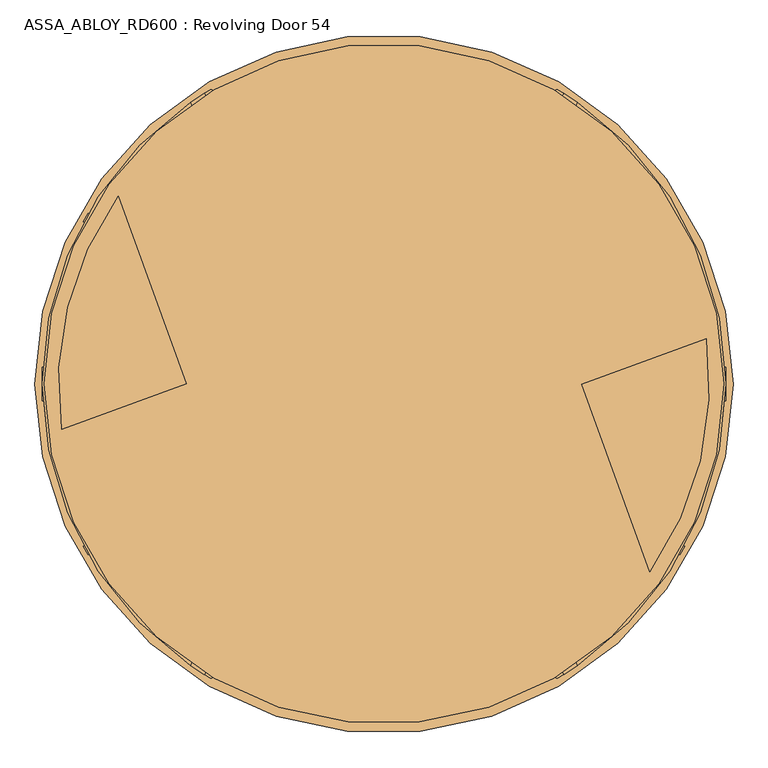
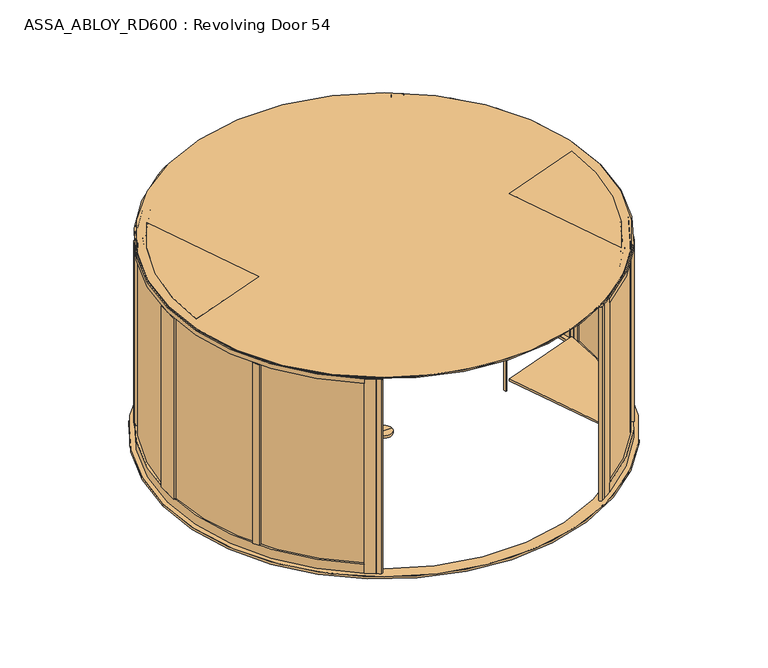
"""IFC4 building model written with IfcOpenShell, lengths in millimetres: door geometry, ASSA_ABLOY_RD600 : Revolving Door 54."""

from ifc_helpers import new_model, si_unit, point, frame, frame_2d, origin, origin_with_axes, origin_2d, place, context, project, spatial, polyline, circle_curve, trimmed, segment, composite_curve, outline, extrude, source, transform, mapped, element, save
from ifc_brep_helpers import plane_surface, cylinder_surface, advanced_brep


def assa_abloy_rd600_revolving_door_54_4517b426(model_context):
    return source(origin(), model_context, "Body", "SolidModel", [
        extrude(outline(polyline([(-1608.7343153, 67.1190524), (-1571.1466104, 80.7998581), (-1547.2052004, 15.0213746), (-1584.7929052, 1.3405689), (-1608.7343153, 67.1190524)])), frame((0.0, 0.0, 148.0), z_axis=(0.0, 0.0, 1.0), x_axis=(1.0, 0.0, 0.0)), (0.0, 0.0, 1.0), 2372.0),
        extrude(outline(polyline([(-2060.4772633, 1375.5201028), (-1587.121385, 74.9855157), (-1592.7595407, 72.9333948), (-2066.1154191, 1373.467982), (-2060.4772633, 1375.5201028)])), frame((0.0, 0.0, 148.0), z_axis=(0.0, 0.0, 1.0), x_axis=(1.0, 0.0, 0.0)), (0.0, 0.0, 1.0), 2372.0),
        extrude(outline(polyline([(-2084.4186734, 1441.2985863), (-1563.1799749, 9.2070322), (-1568.8181307, 7.1549113), (-2090.0568291, 1439.2464654), (-2084.4186734, 1441.2985863)])), frame((0.0, 0.0, -1.0), z_axis=(0.0, 0.0, 1.0), x_axis=(1.0, 0.0, 0.0)), (0.0, 0.0, 1.0), 29.0),
        extrude(outline(polyline([(-21.1919362, 1e-07), (0.0, 0.0), (1.2354289, -3.3526834), (-14.8894584, -17.1035441), (-15.8652682, -14.4554101), (-11.2716326, -10.6269535), (-14.2348715, -2.5853723), (-20.214336, -2.6529929), (-21.1919362, 1e-07)]), holes=[polyline([(-11.7626281, -2.5849674), (-9.3848751, -9.0376682), (-1.6611384, -2.5160752), (-11.7626281, -2.5849674)])]), frame((-2069.8674584, 1328.2243416, 122.8848654), z_axis=(0.9396926207859982, 0.34202014332542185, 0.0), x_axis=(-0.11825756092403869, 0.3249099783188412, 0.9383222555567716)), (0.0, 0.0, 1.0), 2.0),
        extrude(outline(polyline([(-3.5121291, 0.0), (0.0, 0.0), (2.8187321, -2.6852579), (4.250422, -5.1162244), (5.5118808, -7.3434952), (7.3063201, -9.1972245), (9.3614355, -9.1814982), (11.0208469, -7.16163), (10.6514742, -3.4882218), (8.71119, 0.0484616), (6.0403681, 2.6484111), (9.0699595, 3.711135), (11.0920113, 1.0208017), (12.7977466, -2.5981571), (13.1300796, -8.3561655), (9.9996043, -11.7673438), (6.2388815, -11.6844271), (3.0893834, -8.4786223), (1.8238571, -6.2006452), (0.6628891, -4.2207407), (-0.9295188, -2.6144293), (-2.9863484, -2.6252692), (-4.8029446, -4.7524081), (-4.3562345, -8.76362), (-2.4447823, -12.1320668), (0.6567352, -15.0446471), (-2.5145629, -16.157079), (-4.8247981, -13.2083905), (-6.5093631, -9.6341389), (-7.2092232, -6.1919011), (-6.787432, -3.3659463), (-5.4926863, -1.2764386), (-3.5121291, 0.0)])), frame((-2061.751392, 1305.9256325, 111.999973), z_axis=(0.9396926207859984, 0.34202014332542185, 0.0), x_axis=(-0.11321109633786393, 0.3110449308202373, 0.9436282629706535)), (0.0, 0.0, 1.0), 2.0),
        extrude(outline(polyline([(-3.5121291, 0.0), (0.0, 0.0), (2.8187321, -2.6852579), (4.250422, -5.1162244), (5.5118808, -7.3434952), (7.3063201, -9.1972245), (9.3614355, -9.1814982), (11.0208469, -7.16163), (10.6514742, -3.4882218), (8.71119, 0.0484616), (6.0403681, 2.648411), (9.0699596, 3.7111349), (11.0920114, 1.0208016), (12.7977466, -2.5981572), (13.1300797, -8.3561656), (9.9996043, -11.7673438), (6.2388815, -11.6844271), (3.0893834, -8.4786223), (1.8238571, -6.2006453), (0.6628891, -4.2207408), (-0.9295188, -2.6144293), (-2.9863484, -2.6252693), (-4.8029446, -4.7524081), (-4.3562345, -8.76362), (-2.4447823, -12.1320668), (0.6567352, -15.0446471), (-2.5145629, -16.157079), (-4.824798, -13.2083906), (-6.5093631, -9.6341389), (-7.2092232, -6.1919012), (-6.787432, -3.3659463), (-5.4926863, -1.2764387), (-3.5121291, 0.0)])), frame((-2055.2904187, 1288.1742542, 111.999973), z_axis=(0.9396926207859984, 0.34202014332542185, 0.0), x_axis=(-0.11321109633786393, 0.3110449308202373, 0.9436282629706535)), (0.0, 0.0, 1.0), 2.0),
        extrude(outline(polyline([(-21.1919362, 0.0), (0.0, 0.0), (1.2354289, -3.3526834), (-14.8894584, -17.1035441), (-15.8652682, -14.4554102), (-11.2716326, -10.6269535), (-14.2348715, -2.5853724), (-20.214336, -2.6529929), (-21.1919362, 0.0)]), holes=[polyline([(-11.7626281, -2.5849674), (-9.3848751, -9.0376682), (-1.6611384, -2.5160753), (-11.7626281, -2.5849674)])]), frame((-2050.4845384, 1274.9702068, 122.8848654), z_axis=(0.9396926207859982, 0.34202014332542185, 0.0), x_axis=(-0.11825756092403869, 0.3249099783188412, 0.9383222555567716)), (0.0, 0.0, 1.0), 2.0),
        extrude(outline(polyline([(-21.1919362, 1e-07), (0.0, 0.0), (1.2354289, -3.3526833), (-14.8894584, -17.1035441), (-15.8652682, -14.4554101), (-11.2716326, -10.6269535), (-14.2348715, -2.5853723), (-20.214336, -2.6529929), (-21.1919362, 1e-07)]), holes=[polyline([(-11.7626281, -2.5849674), (-9.3848751, -9.0376681), (-1.6611384, -2.5160752), (-11.7626281, -2.5849674)])]), frame((-2040.7364033, 1248.1874256, 122.8848654), z_axis=(0.9396926207859982, 0.34202014332542185, 0.0), x_axis=(-0.11825756092403869, 0.3249099783188412, 0.9383222555567716)), (0.0, 0.0, 1.0), 2.0),
        extrude(outline(polyline([(-3.6247797, 0.0), (0.0, 0.0), (2.8147562, -2.4211002), (3.7068839, -0.0321766), (5.7320771, 1.441087), (7.9241126, 1.6554025), (9.8352433, 0.5920774), (11.1479956, -1.1951534), (12.3716711, -4.2930707), (14.3144162, -9.9880647), (-4.5055294, -16.4081518), (-6.8194358, -9.6251298), (-7.5842828, -6.2202287), (-7.2049821, -3.4426962), (-5.9232413, -1.3859292), (-3.6247797, 0.0)]), holes=[polyline([(5.2214253, -2.9241786), (4.7734732, -6.6552624), (5.9304264, -10.0467735), (11.2627443, -8.2277488), (10.1960736, -5.1008932), (9.3653605, -2.9303687), (5.2214253, -2.9241786)]), polyline([(-2.8765907, -2.5461078), (-4.3679308, -3.4351117), (-5.1102534, -4.883835), (-5.1175974, -6.8751817), (-4.3362091, -9.7190964), (-3.1658807, -13.1498156), (3.734766, -10.7957836), (2.347091, -6.7279308), (1.5099769, -4.5787396), (0.5832315, -3.1932876), (-0.9746905, -2.291247), (-2.8765907, -2.5461078)])]), frame((-2032.3962927, 1225.2731602, 112.561824), z_axis=(0.9396926207859982, 0.34202014332542185, 0.0), x_axis=(-0.11042564634809944, 0.303391969870333, 0.9464457138403678)), (0.0, 0.0, 1.0), 2.0),
        extrude(outline(polyline([(-2.319901, 0.0), (0.0, 0.0), (0.0, -9.9424326), (17.5649644, -9.9424326), (17.5649644, -12.5937481), (-2.319901, -12.5937481), (-2.319901, 0.0)])), frame((-2026.4418541, 1208.9134744, 105.319901), z_axis=(0.9396926207859982, 0.34202014332542185, 0.0), x_axis=(0.0, 0.0, 1.0)), (0.0, 0.0, 1.0), 2.0),
        extrude(outline(polyline([(-3.4755123, 0.0), (0.0, 0.0), (3.5095377, -1.5864764), (6.1998493, -4.2905332), (7.4345588, -7.5668217), (7.0812776, -11.3109182), (5.1361655, -15.2239686), (2.1257686, -18.4422905), (-1.2097864, -20.048671), (-4.7147757, -20.0502836), (-8.2007386, -18.4707048), (-10.9175762, -15.7640054), (-12.1283676, -12.475947), (-11.7934802, -8.7947164), (-9.841779, -4.8358203), (-6.8343334, -1.6217536), (-3.4755123, 0.0)]), holes=[polyline([(-7.6631689, -6.3468237), (-9.5892893, -12.1951337), (-6.8871209, -16.5585186), (-1.8513938, -17.5618518), (2.9575554, -13.7129653), (4.8960977, -7.8921765), (2.1788995, -3.4868579), (-2.8864763, -2.494471), (-7.6631689, -6.3468237)])]), frame((-2021.4641771, 1195.2374194, 122.5197917), z_axis=(0.9396926207859984, 0.3420201433254219, 0.0), x_axis=(-0.2810410816453032, 0.7721540257602048, 0.569907072188043)), (0.0, 0.0, 1.0), 2.0),
        extrude(outline(polyline([(-3.1691505, 0.0), (0.0, 0.0), (5.4320895, -8.8964059), (10.9211409, 0.0), (14.0643996, 0.0), (6.7732823, -11.4441543), (6.7732823, -19.8848654), (4.1219669, -19.8848654), (4.1219669, -11.1645234), (-3.1691505, 0.0)])), frame((-2014.2637695, 1175.4544621, 122.8848654), z_axis=(0.9396926207859982, 0.34202014332542185, 0.0), x_axis=(-0.34202014332542185, 0.9396926207859982, 0.0)), (0.0, 0.0, 1.0), 2.0),
        extrude(outline(polyline([(21.1919362, 1e-07), (20.214336, -2.6529929), (14.2348715, -2.5853724), (11.2716326, -10.6269535), (15.8652682, -14.4554101), (14.8894584, -17.1035441), (-1.2354289, -3.3526833), (0.0, 0.0), (21.1919362, 1e-07)]), holes=[polyline([(11.7626281, -2.5849674), (1.6611384, -2.5160753), (9.3848751, -9.0376682), (11.7626281, -2.5849674)])]), frame((-1977.6676328, 1197.7071875, 122.8848654), z_axis=(0.9396926207859961, 0.342020143325428, 0.0), x_axis=(-0.11825756092404077, 0.32490997831884044, -0.9383222555567716)), (0.0, 0.0, 1.0), 2.0),
        extrude(outline(polyline([(3.5121291, 0.0), (5.4926863, -1.2764387), (6.787432, -3.3659463), (7.2092232, -6.1919011), (6.5093631, -9.6341389), (4.8247981, -13.2083906), (2.5145629, -16.157079), (-0.6567352, -15.0446471), (2.4447822, -12.1320668), (4.3562345, -8.7636201), (4.8029446, -4.7524081), (2.9863484, -2.6252692), (0.9295188, -2.6144293), (-0.6628891, -4.2207408), (-1.8238571, -6.2006452), (-3.0893834, -8.4786223), (-6.2388815, -11.6844271), (-9.9996043, -11.7673438), (-13.1300796, -8.3561655), (-12.7977466, -2.5981571), (-11.0920113, 1.0208017), (-9.0699595, 3.711135), (-6.0403681, 2.6484111), (-8.71119, 0.0484617), (-10.6514742, -3.4882217), (-11.0208469, -7.16163), (-9.3614355, -9.1814982), (-7.3063201, -9.1972245), (-5.5118808, -7.3434952), (-4.250422, -5.1162245), (-2.818732, -2.6852578), (0.0, 0.0), (3.5121291, 0.0)])), frame((-1985.7836992, 1220.0058966, 111.999973), z_axis=(0.939692620785996, 0.34202014332542796, 0.0), x_axis=(-0.11321109633786593, 0.31104493082023654, -0.9436282629706535)), (0.0, 0.0, 1.0), 2.0),
        extrude(outline(polyline([(3.5121291, -1e-07), (5.4926863, -1.2764388), (6.787432, -3.3659463), (7.2092232, -6.1919012), (6.5093631, -9.6341389), (4.8247981, -13.2083906), (2.5145629, -16.157079), (-0.6567352, -15.0446471), (2.4447822, -12.1320668), (4.3562345, -8.7636201), (4.8029446, -4.7524081), (2.9863484, -2.6252693), (0.9295188, -2.6144293), (-0.6628891, -4.2207409), (-1.8238571, -6.2006452), (-3.0893834, -8.4786223), (-6.2388815, -11.6844271), (-9.9996043, -11.7673438), (-13.1300796, -8.3561655), (-12.7977466, -2.5981571), (-11.0920113, 1.0208017), (-9.0699595, 3.711135), (-6.0403681, 2.6484111), (-8.71119, 0.0484616), (-10.6514742, -3.4882218), (-11.0208469, -7.16163), (-9.3614355, -9.1814982), (-7.3063201, -9.1972245), (-5.5118808, -7.3434952), (-4.250422, -5.1162245), (-2.8187321, -2.6852579), (0.0, 0.0), (3.5121291, -1e-07)])), frame((-1992.2446725, 1237.7572749, 111.999973), z_axis=(0.939692620785996, 0.34202014332542796, 0.0), x_axis=(-0.11321109633786593, 0.31104493082023654, -0.9436282629706535)), (0.0, 0.0, 1.0), 2.0),
        extrude(outline(polyline([(21.1919362, 1e-07), (20.214336, -2.6529929), (14.2348715, -2.5853724), (11.2716326, -10.6269535), (15.8652682, -14.4554101), (14.8894584, -17.1035441), (-1.2354289, -3.3526834), (0.0, 0.0), (21.1919362, 1e-07)]), holes=[polyline([(11.7626281, -2.5849674), (1.6611384, -2.5160753), (9.3848751, -9.0376682), (11.7626281, -2.5849674)])]), frame((-1997.0505527, 1250.9613223, 122.8848654), z_axis=(0.9396926207859961, 0.342020143325428, 0.0), x_axis=(-0.11825756092404077, 0.32490997831884044, -0.9383222555567716)), (0.0, 0.0, 1.0), 2.0),
        extrude(outline(polyline([(21.1919362, 1e-07), (20.214336, -2.6529929), (14.2348715, -2.5853723), (11.2716326, -10.6269535), (15.8652682, -14.4554101), (14.8894584, -17.1035441), (-1.2354289, -3.3526833), (0.0, 0.0), (21.1919362, 1e-07)]), holes=[polyline([(11.7626281, -2.5849674), (1.6611385, -2.5160751), (9.3848751, -9.0376681), (11.7626281, -2.5849674)])]), frame((-2006.7986878, 1277.7441035, 122.8848654), z_axis=(0.9396926207859961, 0.342020143325428, 0.0), x_axis=(-0.11825756092404077, 0.32490997831884044, -0.9383222555567716)), (0.0, 0.0, 1.0), 2.0),
        extrude(outline(polyline([(3.6247797, -1e-07), (5.9232413, -1.3859293), (7.2049821, -3.4426963), (7.5842828, -6.2202288), (6.8194358, -9.6251298), (4.5055294, -16.4081519), (-14.3144162, -9.9880648), (-12.3716711, -4.2930708), (-11.1479956, -1.1951535), (-9.8352433, 0.5920773), (-7.9241126, 1.6554024), (-5.7320772, 1.4410869), (-3.7068839, -0.0321767), (-2.8147562, -2.4211003), (0.0, 0.0), (3.6247797, -1e-07)]), holes=[polyline([(-5.2214253, -2.9241787), (-9.3653605, -2.9303688), (-10.1960736, -5.1008933), (-11.2627443, -8.2277489), (-5.9304264, -10.0467736), (-4.7734732, -6.6552625), (-5.2214253, -2.9241787)]), polyline([(2.8765907, -2.5461079), (0.9746905, -2.2912471), (-0.5832316, -3.1932877), (-1.5099769, -4.5787397), (-2.347091, -6.7279309), (-3.7347661, -10.7957837), (3.1658807, -13.1498157), (4.3362091, -9.7190964), (5.1175974, -6.8751818), (5.1102534, -4.8838351), (4.3679308, -3.4351117), (2.8765907, -2.5461079)])]), frame((-2015.1387984, 1300.658369, 112.561824), z_axis=(0.939692620785996, 0.3420201433254279, 0.0), x_axis=(-0.1104256463481014, 0.3033919698703323, -0.9464457138403678)), (0.0, 0.0, 1.0), 2.0),
        extrude(outline(polyline([(2.319901, 0.0), (2.319901, -12.5937481), (-17.5649644, -12.5937481), (-17.5649644, -9.9424327), (0.0, -9.9424327), (0.0, 0.0), (2.319901, 0.0)])), frame((-2021.0932371, 1317.0180547, 105.319901), z_axis=(0.939692620785996, 0.3420201433254279, 0.0), x_axis=(0.0, 0.0, -1.0)), (0.0, 0.0, 1.0), 2.0),
        extrude(outline(polyline([(3.4755123, 0.0), (6.8343334, -1.6217536), (9.8417791, -4.8358203), (11.7934802, -8.7947163), (12.1283676, -12.475947), (10.9175762, -15.7640054), (8.2007387, -18.4707048), (4.7147758, -20.0502835), (1.2097864, -20.048671), (-2.1257686, -18.4422905), (-5.1361655, -15.2239686), (-7.0812776, -11.3109182), (-7.4345587, -7.5668217), (-6.1998493, -4.2905332), (-3.5095376, -1.5864763), (0.0, 0.0), (3.4755123, 0.0)]), holes=[polyline([(7.663169, -6.3468237), (2.8864763, -2.494471), (-2.1788995, -3.4868579), (-4.8960977, -7.8921765), (-2.9575554, -13.7129652), (1.8513939, -17.5618518), (6.8871209, -16.5585186), (9.5892894, -12.1951337), (7.663169, -6.3468237)])]), frame((-2026.070914, 1330.6941097, 122.5197917), z_axis=(0.9396926207859961, 0.3420201433254279, 0.0), x_axis=(-0.2810410816453074, 0.7721540257602008, -0.5699070721880464)), (0.0, 0.0, 1.0), 2.0),
        extrude(outline(polyline([(3.1691505, 0.0), (-4.1219668, -11.1645234), (-4.1219668, -19.8848654), (-6.7732822, -19.8848654), (-6.7732822, -11.4441543), (-14.0643996, 0.0), (-10.9211409, 0.0), (-5.4320895, -8.8964059), (0.0, 0.0), (3.1691505, 0.0)])), frame((-2033.2713216, 1350.477067, 122.8848654), z_axis=(0.939692620785996, 0.3420201433254279, 0.0), x_axis=(-0.3420201433254279, 0.939692620785996, 0.0)), (0.0, 0.0, 1.0), 2.0),
        extrude(outline(polyline([(16.3017206, 0.0), (78.5957564, 16.6009104), (88.5222618, -2.8076911), (20.0, -58.7981528), (20.0, 0.0), (16.3017206, 0.0)])), frame((-1565.9990528, 8.1809718, 28.0), z_axis=(-0.34202014332543407, 0.9396926207859938, 0.0), x_axis=(0.9396926207859938, 0.34202014332543407, 0.0)), (0.0, 0.0, 1.0), 1524.0),
        extrude(outline(composite_curve([segment(trimmed(circle_curve(origin_2d(), 2610.0), [point((2584.6908268, 362.5925119))], [point((2132.1947569, -1505.2725729))], False, "CARTESIAN"), True, "CONTINUOUS"), segment(polyline([(2132.1947569, -1505.2725729), (1584.8064754, -1.3356298), (2584.6908268, 362.5925119)]), True, "CONTINUOUS")], self_intersect=False)), frame((0.0, 0.0, 2600.0), z_axis=(0.0, 0.0, 1.0), x_axis=(1.0, 0.0, 0.0)), (0.0, 0.0, 1.0), 18.0),
        extrude(outline(composite_curve([segment(polyline([(-2132.1846168, 1505.2869361), (-1584.7929052, 1.3405689), (-2584.6908268, -362.5925119)]), True, "CONTINUOUS"), segment(trimmed(circle_curve(origin_2d(), 2610.0), [point((-2584.6908268, -362.5925119))], [point((-2132.1846168, 1505.2869361))], False, "CARTESIAN"), True, "CONTINUOUS")], self_intersect=False)), frame((0.0, 0.0, 2600.0), z_axis=(0.0, 0.0, 1.0), x_axis=(1.0, 0.0, 0.0)), (0.0, 0.0, 1.0), 18.0),
        extrude(outline(composite_curve([segment(polyline([(-1584.7929052, 1.3405689), (-2584.6908268, -362.5925119)]), True, "CONTINUOUS"), segment(trimmed(circle_curve(origin_2d(), 2610.0), [point((-2584.6908268, -362.5925119))], [point((-2132.1846168, 1505.2869361))], False, "CARTESIAN"), True, "CONTINUOUS"), segment(polyline([(-2132.1846168, 1505.2869361), (-1584.7929052, 1.3405689)]), True, "CONTINUOUS")], self_intersect=False)), frame((0.0, 0.0, 112.0), z_axis=(0.0, 0.0, 1.0), x_axis=(1.0, 0.0, 0.0)), (0.0, 0.0, 1.0), 22.0),
        extrude(outline(composite_curve([segment(polyline([(1584.8064754, -1.3356298), (2584.6908268, 362.5925119)]), True, "CONTINUOUS"), segment(trimmed(circle_curve(origin_2d(), 2610.0), [point((2584.6908268, 362.5925119))], [point((2132.1947569, -1505.2725729))], False, "CARTESIAN"), True, "CONTINUOUS"), segment(polyline([(2132.1947569, -1505.2725729), (1584.8064754, -1.3356298)]), True, "CONTINUOUS")], self_intersect=False)), frame((0.0, 0.0, 112.0), z_axis=(0.0, 0.0, 1.0), x_axis=(1.0, 0.0, 0.0)), (0.0, 0.0, 1.0), 22.0),
        extrude(outline(composite_curve([segment(polyline([(2560.824541, 504.2595269), (2600.7059306, 508.7520641)]), True, "CONTINUOUS"), segment(trimmed(circle_curve(origin_2d(), 2650.0), [point((2600.7059306, 508.7520641))], [point((1574.2476548, -2131.7233219))], False, "CARTESIAN"), True, "CONTINUOUS"), segment(polyline([(1574.2476548, -2131.7233219), (1550.8496939, -2099.2773106)]), True, "CONTINUOUS"), segment(trimmed(circle_curve(origin_2d(), 2610.0), [point((1550.8496939, -2099.2773106))], [point((2560.824541, 504.2595269))], True, "CARTESIAN"), True, "CONTINUOUS")], self_intersect=False)), frame((0.0, 0.0, 2520.0), z_axis=(0.0, 0.0, 1.0), x_axis=(1.0, 0.0, 0.0)), (0.0, 0.0, 1.0), 80.0),
        extrude(outline(composite_curve([segment(polyline([(-2596.5399502, -264.7268159), (-2636.2869897, -269.2413566)]), True, "CONTINUOUS"), segment(trimmed(circle_curve(origin_2d(), 2650.0), [point((-2636.2869897, -269.2413566))], [point((-1574.4937162, 2131.5415871))], False, "CARTESIAN"), True, "CONTINUOUS"), segment(polyline([(-1574.4937162, 2131.5415871), (-1551.0934365, 2099.0972229)]), True, "CONTINUOUS"), segment(trimmed(circle_curve(origin_2d(), 2610.0), [point((-1551.0934365, 2099.0972229))], [point((-2596.5399502, -264.7268159))], True, "CARTESIAN"), True, "CONTINUOUS")], self_intersect=False)), frame((0.0, 0.0, 2520.0), z_axis=(0.0, 0.0, 1.0), x_axis=(1.0, 0.0, 0.0)), (0.0, 0.0, 1.0), 80.0),
        extrude(outline(composite_curve([segment(polyline([(2596.5707723, 264.4243268), (2636.3183374, 268.934237)]), True, "CONTINUOUS"), segment(trimmed(circle_curve(origin_2d(), 2650.0), [point((2636.3183374, 268.934237))], [point((1574.2476548, -2131.7233219))], False, "CARTESIAN"), True, "CONTINUOUS"), segment(polyline([(1574.2476548, -2131.7233219), (1550.8496939, -2099.2773106)]), True, "CONTINUOUS"), segment(trimmed(circle_curve(origin_2d(), 2610.0), [point((1550.8496939, -2099.2773106))], [point((2596.5707723, 264.4243268))], True, "CARTESIAN"), True, "CONTINUOUS")], self_intersect=False)), origin_with_axes(), (0.0, 0.0, 1.0), 120.0),
        extrude(outline(composite_curve([segment(polyline([(-2596.5399502, -264.7268159), (-2636.2869897, -269.2413566)]), True, "CONTINUOUS"), segment(trimmed(circle_curve(origin_2d(), 2650.0), [point((-2636.2869897, -269.2413566))], [point((-1574.4937162, 2131.5415871))], False, "CARTESIAN"), True, "CONTINUOUS"), segment(polyline([(-1574.4937162, 2131.5415871), (-1551.0934365, 2099.0972229)]), True, "CONTINUOUS"), segment(trimmed(circle_curve(origin_2d(), 2610.0), [point((-1551.0934365, 2099.0972229))], [point((-2596.5399502, -264.7268159))], True, "CARTESIAN"), True, "CONTINUOUS")], self_intersect=False)), origin_with_axes(), (0.0, 0.0, 1.0), 120.0),
        extrude(outline(composite_curve([segment(trimmed(circle_curve(origin_2d(), 2636.0), [point((1566.0583738, -2120.3672253))], [point((2160.687906, -1509.9416456))], True, "CARTESIAN"), True, "CONTINUOUS"), segment(polyline([(2160.687906, -1509.9416456), (2168.9716776, -1515.5454007)]), True, "CONTINUOUS"), segment(trimmed(circle_curve(origin_2d(), 2646.0), [point((2168.9716776, -1515.5454007))], [point((1571.9078608, -2128.4787237))], False, "CARTESIAN"), True, "CONTINUOUS"), segment(polyline([(1571.9078608, -2128.4787237), (1566.0583738, -2120.3672253)]), True, "CONTINUOUS")], self_intersect=False)), frame((0.0, 0.0, 120.0), z_axis=(0.0, 0.0, 1.0), x_axis=(1.0, 0.0, 0.0)), (0.0, 0.0, 1.0), 2400.0),
        extrude(outline(polyline([(-2629.6843511, -328.8772015), (-2589.732036, -324.3393453), (-2580.5821439, -372.562781), (-2597.0561557, -431.0917775), (-2618.0746345, -431.0917775), (-2629.6843511, -328.8772015)])), origin_with_axes(), (0.0, 0.0, 1.0), 2600.0),
        extrude(outline(polyline([(2629.7226462, 328.5708508), (2589.7698028, 324.0376488), (2580.6173958, 372.3338276), (2597.1068348, 430.7850307), (2618.1250356, 430.7850307), (2629.7226462, 328.5708508)])), origin_with_axes(), (0.0, 0.0, 1.0), 2600.0),
        extrude(outline(polyline([(-2056.6136555, 1451.4187851), (-2094.2017417, 1437.7378406), (-2123.6939442, 1518.767001), (-2096.0174641, 1559.6798595), (-2056.6136555, 1451.4187851)])), origin_with_axes(), (0.0, 0.0, 1.0), 2600.0),
        extrude(outline(polyline([(-1526.0, 22.7394364), (-1526.0, -19.8276745), (-1528.7977529, -20.8459733), (-1542.4785586, 16.7417316), (-1526.0, 22.7394364)])), origin_with_axes(), (0.0, 0.0, 1.0), 2600.0),
        extrude(outline(polyline([(1526.0, -22.7394364), (1526.0, 19.8276745), (1528.7977529, 20.8459733), (1542.4785586, -16.7417316), (1526.0, -22.7394364)])), origin_with_axes(), (0.0, 0.0, 1.0), 2600.0),
        extrude(outline(polyline([(-2589.9398977, -324.3629546), (-2629.6843511, -328.8772015), (-2636.4557215, -269.2605215), (-2596.7112681, -264.7462745), (-2589.9398977, -324.3629546)])), origin_with_axes(), (0.0, 0.0, 1.0), 2600.0),
        extrude(outline(composite_curve([segment(trimmed(circle_curve(origin_2d(), 2636.0), [point((2205.5128048, -1443.6790736))], [point((2551.8445948, -660.745915))], True, "CARTESIAN"), True, "CONTINUOUS"), segment(polyline([(2551.8445948, -660.745915), (2561.5633775, -663.1056199)]), True, "CONTINUOUS"), segment(trimmed(circle_curve(origin_2d(), 2646.0), [point((2561.5633775, -663.1056199))], [point((2213.7965765, -1449.2828288))], False, "CARTESIAN"), True, "CONTINUOUS"), segment(polyline([(2213.7965765, -1449.2828288), (2205.5128048, -1443.6790736)]), True, "CONTINUOUS")], self_intersect=False)), frame((0.0, 0.0, 120.0), z_axis=(0.0, 0.0, 1.0), x_axis=(1.0, 0.0, 0.0)), (0.0, 0.0, 1.0), 2400.0),
        extrude(outline(composite_curve([segment(polyline([(-2213.7965765, 1449.2828288), (-2205.5128048, 1443.6790736)]), True, "CONTINUOUS"), segment(trimmed(circle_curve(origin_2d(), 2636.0), [point((-2205.5128048, 1443.6790736))], [point((-2551.8445948, 660.745915))], True, "CARTESIAN"), True, "CONTINUOUS"), segment(polyline([(-2551.8445948, 660.745915), (-2561.5633775, 663.1056199)]), True, "CONTINUOUS"), segment(trimmed(circle_curve(origin_2d(), 2646.0), [point((-2561.5633775, 663.1056199))], [point((-2213.7965765, 1449.2828288))], False, "CARTESIAN"), True, "CONTINUOUS")], self_intersect=False)), frame((0.0, 0.0, 120.0), z_axis=(0.0, 0.0, 1.0), x_axis=(1.0, 0.0, 0.0)), (0.0, 0.0, 1.0), 2400.0),
        extrude(outline(composite_curve([segment(trimmed(circle_curve(origin_2d(), 2636.0), [point((-1566.5907961, 2119.973886))], [point((-2160.687906, 1509.9416456))], True, "CARTESIAN"), True, "CONTINUOUS"), segment(polyline([(-2160.687906, 1509.9416456), (-2168.9716776, 1515.5454007)]), True, "CONTINUOUS"), segment(trimmed(circle_curve(origin_2d(), 2646.0), [point((-2168.9716776, 1515.5454007))], [point((-1572.1536904, 2128.2971536))], False, "CARTESIAN"), True, "CONTINUOUS"), segment(polyline([(-1572.1536904, 2128.2971536), (-1566.5907961, 2119.973886)]), True, "CONTINUOUS")], self_intersect=False)), frame((0.0, 0.0, 120.0), z_axis=(0.0, 0.0, 1.0), x_axis=(1.0, 0.0, 0.0)), (0.0, 0.0, 1.0), 2400.0),
        extrude(outline(composite_curve([segment(trimmed(circle_curve(origin_2d(), 2636.0), [point((2570.7200683, -583.0045715))], [point((2622.4066985, 267.3557695))], True, "CARTESIAN"), True, "CONTINUOUS"), segment(polyline([(2622.4066985, 267.3557695), (2632.3435844, 268.4832464)]), True, "CONTINUOUS"), segment(trimmed(circle_curve(origin_2d(), 2646.0), [point((2632.3435844, 268.4832464))], [point((2580.438851, -585.3642763))], False, "CARTESIAN"), True, "CONTINUOUS"), segment(polyline([(2580.438851, -585.3642763), (2570.7200683, -583.0045715)]), True, "CONTINUOUS")], self_intersect=False)), frame((0.0, 0.0, 120.0), z_axis=(0.0, 0.0, 1.0), x_axis=(1.0, 0.0, 0.0)), (0.0, 0.0, 1.0), 2400.0),
        extrude(outline(polyline([(2056.6136555, -1451.4187851), (2094.2017417, -1437.7378406), (2123.6939442, -1518.767001), (2096.0174641, -1559.6798595), (2056.6136555, -1451.4187851)])), origin_with_axes(), (0.0, 0.0, 1.0), 2600.0),
        extrude(outline(composite_curve([segment(trimmed(circle_curve(origin_2d(), 2636.0), [point((-2570.7200683, 583.0045715))], [point((-2622.3755348, -267.6612684))], True, "CARTESIAN"), True, "CONTINUOUS"), segment(polyline([(-2622.3755348, -267.6612684), (-2632.3122892, -268.7899029)]), True, "CONTINUOUS"), segment(trimmed(circle_curve(origin_2d(), 2646.0), [point((-2632.3122892, -268.7899029))], [point((-2580.438851, 585.3642763))], False, "CARTESIAN"), True, "CONTINUOUS"), segment(polyline([(-2580.438851, 585.3642763), (-2570.7200683, 583.0045715)]), True, "CONTINUOUS")], self_intersect=False)), frame((0.0, 0.0, 120.0), z_axis=(0.0, 0.0, 1.0), x_axis=(1.0, 0.0, 0.0)), (0.0, 0.0, 1.0), 2400.0),
        extrude(outline(polyline([(-2139.40396, 1495.5436122), (-2184.2288589, 1429.2810402), (-2217.3601449, 1451.6934897), (-2172.535246, 1517.9560616), (-2139.40396, 1495.5436122)])), origin_with_axes(), (0.0, 0.0, 1.0), 2600.0),
        extrude(outline(polyline([(2139.40396, -1495.5436122), (2184.2288589, -1429.2810402), (2217.3601449, -1451.6934897), (2172.535246, -1517.9560616), (2139.40396, -1495.5436122)])), origin_with_axes(), (0.0, 0.0, 1.0), 2600.0),
        extrude(outline(polyline([(2545.7490703, -576.9416532), (2584.6197421, -586.37939), (2565.7442685, -664.1207335), (2526.8735967, -654.6829967), (2545.7490703, -576.9416532)])), origin_with_axes(), (0.0, 0.0, 1.0), 2600.0),
        extrude(outline(polyline([(1525.6811322, -2166.9557178), (1502.2846936, -2134.5118176), (1550.9505439, -2099.4171597), (1574.3469825, -2131.8610599), (1525.6811322, -2166.9557178)])), origin_with_axes(), (0.0, 0.0, 1.0), 2600.0),
        extrude(outline(polyline([(-2545.7490703, 576.9416532), (-2584.6197421, 586.37939), (-2565.7442685, 664.1207335), (-2526.8735967, 654.6829967), (-2545.7490703, 576.9416532)])), origin_with_axes(), (0.0, 0.0, 1.0), 2600.0),
        extrude(outline(polyline([(-1551.195088, 2099.2381622), (-1574.5938333, 2131.6803988), (-1525.9304783, 2166.7785167), (-1502.531733, 2134.33628), (-1551.195088, 2099.2381622)])), origin_with_axes(), (0.0, 0.0, 1.0), 2600.0),
        extrude(outline(polyline([(2589.9776672, 324.0612339), (2629.7226462, 328.5708508), (2636.4870715, 268.9533823), (2596.7420925, 264.4437654), (2589.9776672, 324.0612339)])), origin_with_axes(), (0.0, 0.0, 1.0), 2600.0),
        extrude(outline(composite_curve([segment(trimmed(circle_curve(origin_2d(), 2800.0), [point((-2800.0, 0.0))], [point((2800.0, 0.0))], False, "CARTESIAN"), True, "CONTINUOUS"), segment(trimmed(circle_curve(origin_2d(), 2800.0), [point((2800.0, 0.0))], [point((-2800.0, 0.0))], False, "CARTESIAN"), True, "CONTINUOUS")], self_intersect=False), holes=[composite_curve([segment(trimmed(circle_curve(origin_2d(), 2640.0), [point((2640.0, 0.0))], [point((-2640.0, 0.0))], True, "CARTESIAN"), True, "CONTINUOUS"), segment(trimmed(circle_curve(origin_2d(), 2640.0), [point((-2640.0, 0.0))], [point((2640.0, 0.0))], True, "CARTESIAN"), True, "CONTINUOUS")], self_intersect=False)]), frame((0.0, 0.0, -30.0), z_axis=(0.0, 0.0, 1.0), x_axis=(1.0, 0.0, 0.0)), (0.0, 0.0, 1.0), 30.0),
        advanced_brep(
        [(100.0, 0.0, 0.0), (-100.0, 0.0, 0.0), (0.0, 0.0, 0.0), (100.0, 0.0, -30.0), (-100.0, 0.0, -30.0), (0.0, 0.0, -30.0)],
        [
            (0, 1, circle_curve(frame((0.0, 0.0, 0.0), z_axis=(0.0, 0.0, 1.0), x_axis=(-1.0, 0.0, 0.0)), 100.0)),
            (1, 2),
            (2, 0),
            (1, 0, circle_curve(frame((0.0, 0.0, 0.0), z_axis=(0.0, 0.0, 1.0), x_axis=(-1.0, 0.0, 0.0)), 100.0)),
            (3, 4, circle_curve(frame((0.0, 0.0, -30.0), z_axis=(0.0, 0.0, 1.0), x_axis=(-1.0, 0.0, 0.0)), 100.0)),
            (4, 1),
            (0, 3),
            (4, 3, circle_curve(frame((0.0, 0.0, -30.0), z_axis=(0.0, 0.0, 1.0), x_axis=(-1.0, 0.0, 0.0)), 100.0)),
            (5, 4),
            (3, 5),
        ],
        [
            plane_surface(frame((0.0, 0.0, 0.0), z_axis=(0.0, 0.0, 1.0), x_axis=(-1.0, 0.0, 0.0))),
            cylinder_surface(frame((0.0, 0.0, 2174.3150031), z_axis=(0.0, 0.0, -1.0), x_axis=(-1.0, 0.0, 0.0)), 100.0),
            plane_surface(frame((0.0, 0.0, -30.0), z_axis=(0.0, 0.0, -1.0), x_axis=(-1.0, 0.0, 0.0))),
        ],
        [
            (0, [[1, 2, 3]]),
            (0, [[4, -3, -2]]),
            (1, [[5, 6, -1, 7]]),
            (1, [[8, -7, -4, -6]]),
            (2, [[9, -5, 10]]),
            (2, [[-10, -8, -9]]),
        ],
    ),
        extrude(outline(composite_curve([segment(trimmed(circle_curve(origin_2d(), 2700.0), [point((-1419.9760692, -2296.4468125))], [point((-1377.2057754, -2322.3488653))], True, "CARTESIAN"), True, "CONTINUOUS"), segment(trimmed(circle_curve(frame_2d((-1388.036413, -2339.1704524)), 20.0067115), [point((-1377.2057754, -2322.3488653))], [point((-1398.2460133, -2356.3760494))], False, "CARTESIAN"), True, "CONTINUOUS"), segment(trimmed(circle_curve(origin_2d(), 2740.0), [point((-1398.2460133, -2356.3760494))], [point((-1441.0127517, -2330.4682468))], False, "CARTESIAN"), True, "CONTINUOUS"), segment(polyline([(-1441.0127517, -2330.4682468), (-1419.9760692, -2296.4468125)]), True, "CONTINUOUS")], self_intersect=False)), origin_with_axes(), (0.0, 0.0, 1.0), 2600.0),
        extrude(outline(composite_curve([segment(trimmed(circle_curve(origin_2d(), 2700.0), [point((1419.9760692, 2296.4468125))], [point((1377.2057754, 2322.3488653))], True, "CARTESIAN"), True, "CONTINUOUS"), segment(trimmed(circle_curve(frame_2d((1388.036413, 2339.1704524)), 20.0067115), [point((1377.2057754, 2322.3488653))], [point((1398.2460133, 2356.3760494))], False, "CARTESIAN"), True, "CONTINUOUS"), segment(trimmed(circle_curve(origin_2d(), 2740.0), [point((1398.2460133, 2356.3760494))], [point((1441.0127517, 2330.4682468))], False, "CARTESIAN"), True, "CONTINUOUS"), segment(polyline([(1441.0127517, 2330.4682468), (1419.9760692, 2296.4468125)]), True, "CONTINUOUS")], self_intersect=False)), origin_with_axes(), (0.0, 0.0, 1.0), 2600.0),
        extrude(outline(composite_curve([segment(polyline([(-1419.9760692, 2296.4468125), (-1441.0127517, 2330.4682468)]), True, "CONTINUOUS"), segment(trimmed(circle_curve(origin_2d(), 2740.0), [point((-1441.0127517, 2330.4682468))], [point((-1398.2460133, 2356.3760494))], False, "CARTESIAN"), True, "CONTINUOUS"), segment(trimmed(circle_curve(frame_2d((-1388.036413, 2339.1704524)), 20.0067115), [point((-1398.2460133, 2356.3760494))], [point((-1377.2057754, 2322.3488653))], False, "CARTESIAN"), True, "CONTINUOUS"), segment(trimmed(circle_curve(origin_2d(), 2700.0), [point((-1377.2057754, 2322.3488653))], [point((-1419.9760692, 2296.4468125))], True, "CARTESIAN"), True, "CONTINUOUS")], self_intersect=False)), origin_with_axes(), (0.0, 0.0, 1.0), 2600.0),
        extrude(outline(composite_curve([segment(polyline([(1419.9760692, -2296.4468125), (1441.0127517, -2330.4682468)]), True, "CONTINUOUS"), segment(trimmed(circle_curve(origin_2d(), 2740.0), [point((1441.0127517, -2330.4682468))], [point((1398.2460133, -2356.3760494))], False, "CARTESIAN"), True, "CONTINUOUS"), segment(trimmed(circle_curve(frame_2d((1388.036413, -2339.1704524)), 20.0067115), [point((1398.2460133, -2356.3760494))], [point((1377.2057754, -2322.3488653))], False, "CARTESIAN"), True, "CONTINUOUS"), segment(trimmed(circle_curve(origin_2d(), 2700.0), [point((1377.2057754, -2322.3488653))], [point((1419.9760692, -2296.4468125))], True, "CARTESIAN"), True, "CONTINUOUS")], self_intersect=False)), origin_with_axes(), (0.0, 0.0, 1.0), 2600.0),
        extrude(outline(composite_curve([segment(trimmed(circle_curve(origin_2d(), 2726.0), [point((-2726.0, 0.0))], [point((2726.0, 0.0))], False, "CARTESIAN"), True, "CONTINUOUS"), segment(trimmed(circle_curve(origin_2d(), 2726.0), [point((2726.0, 0.0))], [point((-2726.0, 0.0))], False, "CARTESIAN"), True, "CONTINUOUS")], self_intersect=False)), frame((0.0, 0.0, 2600.0), z_axis=(0.0, 0.0, 1.0), x_axis=(1.0, 0.0, 0.0)), (0.0, 0.0, 1.0), 16.0),
        extrude(outline(composite_curve([segment(polyline([(-1554.7338273, 2255.98551), (-1533.67345, 2221.9198271)]), True, "CONTINUOUS"), segment(trimmed(circle_curve(frame_2d((0.0, -0.2065754)), 2700.0), [point((-1533.67345, 2221.9198271))], [point((-1533.67345, -2222.3329779))], True, "CARTESIAN"), True, "CONTINUOUS"), segment(polyline([(-1533.67345, -2222.3329779), (-1554.7338273, -2256.3986608)]), True, "CONTINUOUS"), segment(trimmed(circle_curve(frame_2d((0.0, -0.2065754)), 2740.0), [point((-1554.7338273, -2256.3986608))], [point((-1554.7338273, 2255.98551))], False, "CARTESIAN"), True, "CONTINUOUS")], self_intersect=False)), frame((0.0, 0.0, 2543.0), z_axis=(0.0, 0.0, 1.0), x_axis=(1.0, 0.0, 0.0)), (0.0, 0.0, 1.0), 60.0),
        extrude(outline(composite_curve([segment(polyline([(-1554.7338273, -2256.3986608), (-1533.67345, -2222.3329779)]), True, "CONTINUOUS"), segment(trimmed(circle_curve(frame_2d((0.0, -0.2065754)), 2700.0), [point((-1533.67345, -2222.3329779))], [point((-1419.7972861, -2296.7639264))], True, "CARTESIAN"), True, "CONTINUOUS"), segment(polyline([(-1419.7972861, -2296.7639264), (-1440.83132, -2330.7869983)]), True, "CONTINUOUS"), segment(trimmed(circle_curve(frame_2d((0.0, -0.2065754)), 2740.0), [point((-1440.83132, -2330.7869983))], [point((-1554.7338273, -2256.3986608))], False, "CARTESIAN"), True, "CONTINUOUS")], self_intersect=False)), frame((0.0, 0.0, 3.0), z_axis=(0.0, 0.0, 1.0), x_axis=(1.0, 0.0, 0.0)), (0.0, 0.0, 1.0), 2600.0),
        extrude(outline(composite_curve([segment(polyline([(-1440.83132, 2330.3738475), (-1419.7972861, 2296.3507756)]), True, "CONTINUOUS"), segment(trimmed(circle_curve(frame_2d((0.0, -0.2065754)), 2700.0), [point((-1419.7972861, 2296.3507756))], [point((-1533.67345, 2221.9198271))], True, "CARTESIAN"), True, "CONTINUOUS"), segment(polyline([(-1533.67345, 2221.9198271), (-1554.7338273, 2255.98551)]), True, "CONTINUOUS"), segment(trimmed(circle_curve(frame_2d((0.0, -0.2065754)), 2740.0), [point((-1554.7338273, 2255.98551))], [point((-1440.83132, 2330.3738475))], False, "CARTESIAN"), True, "CONTINUOUS")], self_intersect=False)), frame((0.0, 0.0, 3.0), z_axis=(0.0, 0.0, 1.0), x_axis=(1.0, 0.0, 0.0)), (0.0, 0.0, 1.0), 2600.0),
        extrude(outline(composite_curve([segment(polyline([(-2709.5890832, -136.2065754), (-2701.5789827, -136.2065754)]), True, "CONTINUOUS"), segment(trimmed(circle_curve(frame_2d((0.0, -0.2065754)), 2705.0), [point((-2701.5789827, -136.2065754))], [point((-1536.3060399, -2226.5912573))], True, "CARTESIAN"), True, "CONTINUOUS"), segment(polyline([(-1536.3060399, -2226.5912573), (-1540.518158, -2233.404463)]), True, "CONTINUOUS"), segment(trimmed(circle_curve(frame_2d((0.0, -0.2065754)), 2713.0), [point((-1540.518158, -2233.404463))], [point((-2709.5890832, -136.2065754))], False, "CARTESIAN"), True, "CONTINUOUS")], self_intersect=False)), frame((0.0, 0.0, 123.0), z_axis=(0.0, 0.0, 1.0), x_axis=(1.0, 0.0, 0.0)), (0.0, 0.0, 1.0), 2420.0),
        extrude(outline(composite_curve([segment(polyline([(-1540.518158, 2232.9913121), (-1536.3060399, 2226.1781065)]), True, "CONTINUOUS"), segment(trimmed(circle_curve(frame_2d((0.0, -0.2065754)), 2705.0), [point((-1536.3060399, 2226.1781065))], [point((-2701.5789827, 135.7934246))], True, "CARTESIAN"), True, "CONTINUOUS"), segment(polyline([(-2701.5789827, 135.7934246), (-2709.5890832, 135.7934246)]), True, "CONTINUOUS"), segment(trimmed(circle_curve(frame_2d((0.0, -0.2065754)), 2713.0), [point((-2709.5890832, 135.7934246))], [point((-1540.518158, 2232.9913121))], False, "CARTESIAN"), True, "CONTINUOUS")], self_intersect=False)), frame((0.0, 0.0, 123.0), z_axis=(0.0, 0.0, 1.0), x_axis=(1.0, 0.0, 0.0)), (0.0, 0.0, 1.0), 2420.0),
        extrude(outline(polyline([(-2740.0, -136.2065754), (-2740.0, 135.7934246), (-2700.0, 135.7934246), (-2700.0, -136.2065754), (-2740.0, -136.2065754)])), frame((0.0, 0.0, 123.0), z_axis=(0.0, 0.0, 1.0), x_axis=(1.0, 0.0, 0.0)), (0.0, 0.0, 1.0), 2420.0),
        extrude(outline(composite_curve([segment(polyline([(-1554.7338273, 2255.98551), (-1533.67345, 2221.9198271)]), True, "CONTINUOUS"), segment(trimmed(circle_curve(frame_2d((0.0, -0.2065754)), 2700.0), [point((-1533.67345, 2221.9198271))], [point((-1533.67345, -2222.3329779))], True, "CARTESIAN"), True, "CONTINUOUS"), segment(polyline([(-1533.67345, -2222.3329779), (-1554.7338273, -2256.3986608)]), True, "CONTINUOUS"), segment(trimmed(circle_curve(frame_2d((0.0, -0.2065754)), 2740.0), [point((-1554.7338273, -2256.3986608))], [point((-1554.7338273, 2255.98551))], False, "CARTESIAN"), True, "CONTINUOUS")], self_intersect=False)), frame((0.0, 0.0, 3.0), z_axis=(0.0, 0.0, 1.0), x_axis=(1.0, 0.0, 0.0)), (0.0, 0.0, 1.0), 120.0),
        extrude(outline(composite_curve([segment(trimmed(circle_curve(frame_2d((0.0, -0.2065754)), 2740.0), [point((-2372.2967806, -1371.2674729))], [point((-2411.3123345, -1301.4263206))], False, "CARTESIAN"), True, "CONTINUOUS"), segment(polyline([(-2411.3123345, -1301.4263206), (-2376.3879816, -1281.9164338)]), True, "CONTINUOUS"), segment(trimmed(circle_curve(frame_2d((0.0, -0.2065754)), 2700.0), [point((-2376.3879816, -1281.9164338))], [point((-2337.3724276, -1351.7575861))], True, "CARTESIAN"), True, "CONTINUOUS"), segment(polyline([(-2337.3724276, -1351.7575861), (-2372.2967806, -1371.2674729)]), True, "CONTINUOUS")], self_intersect=False)), frame((0.0, 0.0, 123.0), z_axis=(0.0, 0.0, 1.0), x_axis=(1.0, 0.0, 0.0)), (0.0, 0.0, 1.0), 2420.0),
        extrude(outline(composite_curve([segment(polyline([(-2372.4093454, 1370.9172045), (-2337.4825908, 1351.405976)]), True, "CONTINUOUS"), segment(trimmed(circle_curve(frame_2d((-0.1149533, -0.1533187)), 2700.0), [point((-2337.4825908, 1351.405976))], [point((-2376.4983922, 1281.564962))], True, "CARTESIAN"), True, "CONTINUOUS"), segment(polyline([(-2376.4983922, 1281.564962), (-2411.4248993, 1301.0760522)]), True, "CONTINUOUS"), segment(trimmed(circle_curve(frame_2d((-0.1125648, -0.143693)), 2740.0), [point((-2411.4248993, 1301.0760522))], [point((-2372.4093454, 1370.9172045))], False, "CARTESIAN"), True, "CONTINUOUS")], self_intersect=False)), frame((0.0, 0.0, 123.0), z_axis=(0.0, 0.0, 1.0), x_axis=(1.0, 0.0, 0.0)), (0.0, 0.0, 1.0), 2420.0),
        extrude(outline(composite_curve([segment(trimmed(circle_curve(origin_2d(), 2740.0), [point((1554.7338273, 2256.1920854))], [point((1554.7338273, -2256.1920854))], False, "CARTESIAN"), True, "CONTINUOUS"), segment(polyline([(1554.7338273, -2256.1920854), (1533.67345, -2222.1264025)]), True, "CONTINUOUS"), segment(trimmed(circle_curve(origin_2d(), 2700.0), [point((1533.67345, -2222.1264025))], [point((1533.67345, 2222.1264025))], True, "CARTESIAN"), True, "CONTINUOUS"), segment(polyline([(1533.67345, 2222.1264025), (1554.7338273, 2256.1920854)]), True, "CONTINUOUS")], self_intersect=False)), frame((0.0, 0.0, 2540.0), z_axis=(0.0, 0.0, 1.0), x_axis=(1.0, 0.0, 0.0)), (0.0, 0.0, 1.0), 60.0),
        extrude(outline(composite_curve([segment(trimmed(circle_curve(origin_2d(), 2740.0), [point((1554.7338273, -2256.1920854))], [point((1440.83132, -2330.5804229))], False, "CARTESIAN"), True, "CONTINUOUS"), segment(polyline([(1440.83132, -2330.5804229), (1419.7972861, -2296.557351)]), True, "CONTINUOUS"), segment(trimmed(circle_curve(origin_2d(), 2700.0), [point((1419.7972861, -2296.557351))], [point((1533.67345, -2222.1264025))], True, "CARTESIAN"), True, "CONTINUOUS"), segment(polyline([(1533.67345, -2222.1264025), (1554.7338273, -2256.1920854)]), True, "CONTINUOUS")], self_intersect=False)), origin_with_axes(), (0.0, 0.0, 1.0), 2600.0),
        extrude(outline(composite_curve([segment(trimmed(circle_curve(origin_2d(), 2740.0), [point((1440.83132, 2330.5804229))], [point((1554.7338273, 2256.1920854))], False, "CARTESIAN"), True, "CONTINUOUS"), segment(polyline([(1554.7338273, 2256.1920854), (1533.67345, 2222.1264025)]), True, "CONTINUOUS"), segment(trimmed(circle_curve(origin_2d(), 2700.0), [point((1533.67345, 2222.1264025))], [point((1419.7972861, 2296.557351))], True, "CARTESIAN"), True, "CONTINUOUS"), segment(polyline([(1419.7972861, 2296.557351), (1440.83132, 2330.5804229)]), True, "CONTINUOUS")], self_intersect=False)), origin_with_axes(), (0.0, 0.0, 1.0), 2600.0),
        extrude(outline(composite_curve([segment(trimmed(circle_curve(origin_2d(), 2713.0), [point((2709.5890832, -136.0))], [point((1540.518158, -2233.1978875))], False, "CARTESIAN"), True, "CONTINUOUS"), segment(polyline([(1540.518158, -2233.1978875), (1536.3060399, -2226.3846819)]), True, "CONTINUOUS"), segment(trimmed(circle_curve(origin_2d(), 2705.0), [point((1536.3060399, -2226.3846819))], [point((2701.5789827, -136.0))], True, "CARTESIAN"), True, "CONTINUOUS"), segment(polyline([(2701.5789827, -136.0), (2709.5890832, -136.0)]), True, "CONTINUOUS")], self_intersect=False)), frame((0.0, 0.0, 120.0), z_axis=(0.0, 0.0, 1.0), x_axis=(1.0, 0.0, 0.0)), (0.0, 0.0, 1.0), 2420.0),
        extrude(outline(composite_curve([segment(trimmed(circle_curve(origin_2d(), 2713.0), [point((1540.518158, 2233.1978875))], [point((2709.5890832, 136.0))], False, "CARTESIAN"), True, "CONTINUOUS"), segment(polyline([(2709.5890832, 136.0), (2701.5789827, 136.0)]), True, "CONTINUOUS"), segment(trimmed(circle_curve(origin_2d(), 2705.0), [point((2701.5789827, 136.0))], [point((1536.3060399, 2226.3846819))], True, "CARTESIAN"), True, "CONTINUOUS"), segment(polyline([(1536.3060399, 2226.3846819), (1540.518158, 2233.1978875)]), True, "CONTINUOUS")], self_intersect=False)), frame((0.0, 0.0, 120.0), z_axis=(0.0, 0.0, 1.0), x_axis=(1.0, 0.0, 0.0)), (0.0, 0.0, 1.0), 2420.0),
        extrude(outline(polyline([(2740.0, -136.0), (2700.0, -136.0), (2700.0, 136.0), (2740.0, 136.0), (2740.0, -136.0)])), frame((0.0, 0.0, 120.0), z_axis=(0.0, 0.0, 1.0), x_axis=(1.0, 0.0, 0.0)), (0.0, 0.0, 1.0), 2420.0),
        extrude(outline(composite_curve([segment(trimmed(circle_curve(origin_2d(), 2740.0), [point((1554.7338273, 2256.1920854))], [point((1554.7338273, -2256.1920854))], False, "CARTESIAN"), True, "CONTINUOUS"), segment(polyline([(1554.7338273, -2256.1920854), (1533.67345, -2222.1264025)]), True, "CONTINUOUS"), segment(trimmed(circle_curve(origin_2d(), 2700.0), [point((1533.67345, -2222.1264025))], [point((1533.67345, 2222.1264025))], True, "CARTESIAN"), True, "CONTINUOUS"), segment(polyline([(1533.67345, 2222.1264025), (1554.7338273, 2256.1920854)]), True, "CONTINUOUS")], self_intersect=False)), origin_with_axes(), (0.0, 0.0, 1.0), 120.0),
        extrude(outline(composite_curve([segment(polyline([(2372.2967806, -1371.0608975), (2337.3724276, -1351.5510107)]), True, "CONTINUOUS"), segment(trimmed(circle_curve(origin_2d(), 2700.0), [point((2337.3724276, -1351.5510107))], [point((2376.3879816, -1281.7098584))], True, "CARTESIAN"), True, "CONTINUOUS"), segment(polyline([(2376.3879816, -1281.7098584), (2411.3123345, -1301.2197452)]), True, "CONTINUOUS"), segment(trimmed(circle_curve(origin_2d(), 2740.0), [point((2411.3123345, -1301.2197452))], [point((2372.2967806, -1371.0608975))], False, "CARTESIAN"), True, "CONTINUOUS")], self_intersect=False)), frame((0.0, 0.0, 120.0), z_axis=(0.0, 0.0, 1.0), x_axis=(1.0, 0.0, 0.0)), (0.0, 0.0, 1.0), 2420.0),
    ])


if __name__ == "__main__":
    model = new_model("IFC4")
    model_context = context("Model", 3, world=origin())
    ifc_project = project(units=[si_unit("LENGTHUNIT", "METRE", prefix="MILLI")], contexts=[model_context])
    site = spatial("IfcSite", under=ifc_project)
    building = spatial("IfcBuilding", under=site)
    placement = place(None, origin())
    assa_abloy_rd600_revolving_door_54_shape = assa_abloy_rd600_revolving_door_54_4517b426(model_context)
    element("IfcDoor", 1, ObjectType="ASSA_ABLOY_RD600 : Revolving Door 54", at=placement, inside=building, context=model_context, shape_type="MappedRepresentation", body=[
        mapped(assa_abloy_rd600_revolving_door_54_shape, transform((0.0, 0.0, 0.0), x_axis=(1.0, 0.0, 0.0), y_axis=(0.0, 1.0, 0.0), z_axis=(0.0, 0.0, 1.0))),
    ])
    save(model, "model.ifc")
